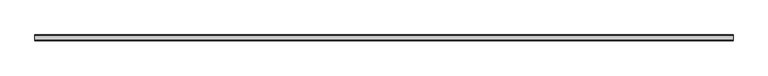
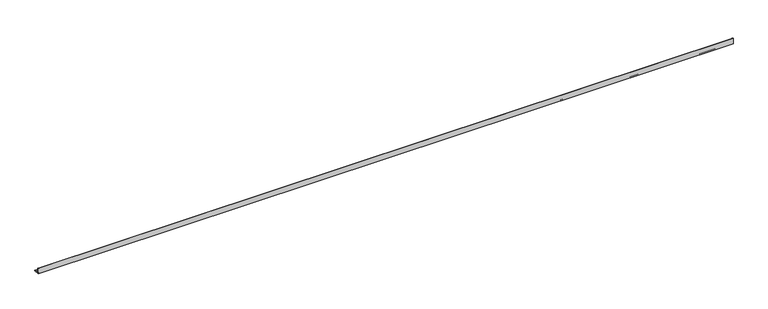
"""IFC4 building model written with IfcOpenShell, lengths in millimetres: beam geometry."""

from ifc_helpers import new_model, si_unit, point, frame, frame_2d, origin, place, context, project, spatial, polyline, circle_curve, trimmed, segment, composite_curve, outline, extrude, source, transform, mapped, element, save


def beam_976c8a9f(model_context):
    return source(origin(), model_context, "Body", "SweptSolid", [
        extrude(outline(composite_curve([segment(polyline([(-21.3, -21.3), (-21.3, 53.7), (-18.3, 53.7)]), True, "CONTINUOUS"), segment(trimmed(circle_curve(frame_2d((-18.3, 48.7)), 5.0), [point((-18.3, 53.7))], [point((-13.3, 48.7))], False, "CARTESIAN"), True, "CONTINUOUS"), segment(polyline([(-13.3, 48.7), (-13.3, -5.3)]), True, "CONTINUOUS"), segment(trimmed(circle_curve(frame_2d((-5.3, -5.3)), 8.0), [point((-13.3, -5.3))], [point((-5.3, -13.3))], True, "CARTESIAN"), True, "CONTINUOUS"), segment(polyline([(-5.3, -13.3), (48.7, -13.3)]), True, "CONTINUOUS"), segment(trimmed(circle_curve(frame_2d((48.7, -18.3)), 5.0), [point((48.7, -13.3))], [point((53.7, -18.3))], False, "CARTESIAN"), True, "CONTINUOUS"), segment(polyline([(53.7, -18.3), (53.7, -21.3), (-21.3, -21.3)]), True, "CONTINUOUS")], self_intersect=False)), frame((-4415.0, 0.0, 0.0), z_axis=(1.0, 0.0, 0.0), x_axis=(0.0, 1.0, 0.0)), (0.0, 0.0, 1.0), 8874.0),
    ])


if __name__ == "__main__":
    model = new_model("IFC4")
    model_context = context("Model", 3, world=origin())
    ifc_project = project(units=[si_unit("LENGTHUNIT", "METRE", prefix="MILLI")], contexts=[model_context])
    site = spatial("IfcSite", under=ifc_project)
    building = spatial("IfcBuilding", under=site)
    placement = place(None, origin())
    beam_shape = beam_976c8a9f(model_context)
    element("IfcBeam", 1, at=placement, inside=building, context=model_context, shape_type="MappedRepresentation", body=[
        mapped(beam_shape, transform((0.0, 0.0, 0.0), x_axis=(1.0, 0.0, 0.0), y_axis=(0.0, 1.0, 0.0), z_axis=(0.0, 0.0, 1.0))),
    ])
    save(model, "model.ifc")
